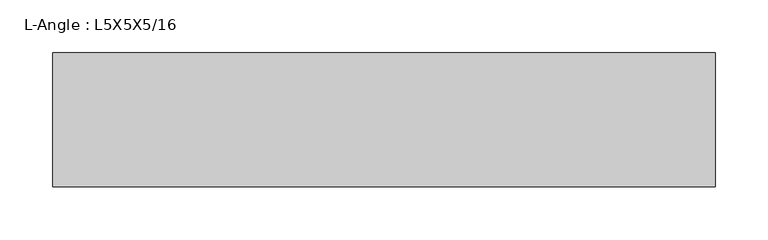
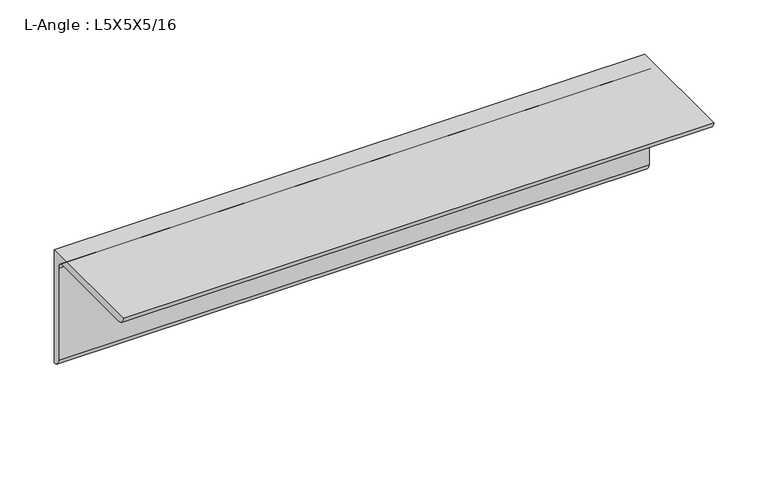
"""IFC4 building model written with IfcOpenShell, lengths in millimetres: beam geometry, L-Angle : L5X5X5/16."""

from ifc_helpers import new_model, si_unit, point, frame, frame_2d, origin, place, context, project, spatial, polyline, circle_curve, trimmed, segment, composite_curve, outline, extrude, source, transform, mapped, element, save


def l_angle_l5x5x5_16_d551b5e7(model_context):
    return source(origin(), model_context, "Body", "SweptSolid", [
        extrude(outline(composite_curve([segment(polyline([(34.3296875, 34.3296875), (34.3296875, -92.6703125)]), True, "CONTINUOUS"), segment(trimmed(circle_curve(frame_2d((34.3296875, -84.7328125)), 7.9375), [point((34.3296875, -92.6703125))], [point((26.3921875, -84.7328125))], False, "CARTESIAN"), True, "CONTINUOUS"), segment(polyline([(26.3921875, -84.7328125), (26.3921875, 18.4546875)]), True, "CONTINUOUS"), segment(trimmed(circle_curve(frame_2d((18.4546875, 18.4546875)), 7.9375), [point((26.3921875, 18.4546875))], [point((18.4546875, 26.3921875))], True, "CARTESIAN"), True, "CONTINUOUS"), segment(polyline([(18.4546875, 26.3921875), (-84.7328125, 26.3921875)]), True, "CONTINUOUS"), segment(trimmed(circle_curve(frame_2d((-84.7328125, 34.3296875)), 7.9375), [point((-84.7328125, 26.3921875))], [point((-92.6703125, 34.3296875))], False, "CARTESIAN"), True, "CONTINUOUS"), segment(polyline([(-92.6703125, 34.3296875), (34.3296875, 34.3296875)]), True, "CONTINUOUS")], self_intersect=False)), frame((-313.7296875, 0.0, 0.0), z_axis=(1.0, 0.0, 0.0), x_axis=(0.0, 1.0, 0.0)), (0.0, 0.0, 1.0), 627.459375),
    ])


if __name__ == "__main__":
    model = new_model("IFC4")
    model_context = context("Model", 3, world=origin())
    ifc_project = project(units=[si_unit("LENGTHUNIT", "METRE", prefix="MILLI")], contexts=[model_context])
    site = spatial("IfcSite", under=ifc_project)
    building = spatial("IfcBuilding", under=site)
    placement = place(None, origin())
    l_angle_l5x5x5_16_shape = l_angle_l5x5x5_16_d551b5e7(model_context)
    element("IfcBeam", 1, ObjectType="L-Angle : L5X5X5/16", at=placement, inside=building, context=model_context, shape_type="MappedRepresentation", body=[
        mapped(l_angle_l5x5x5_16_shape, transform((0.0, 0.0, 0.0), x_axis=(1.0, 0.0, 0.0), y_axis=(0.0, 1.0, 0.0), z_axis=(0.0, 0.0, 1.0))),
    ])
    save(model, "model.ifc")
